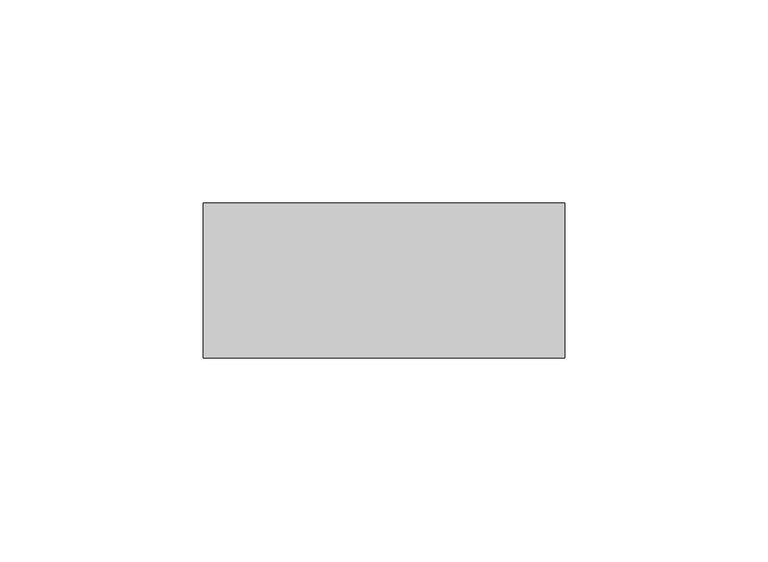
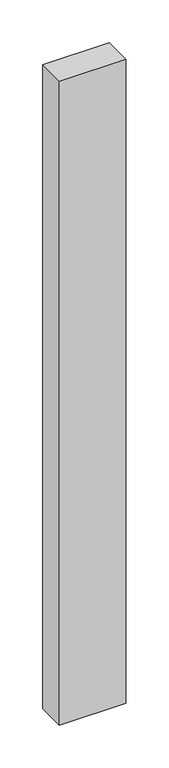
"""IFC4 building model written with IfcOpenShell, lengths in millimetres: proxy geometry."""

from ifc_helpers import new_model, si_unit, frame, origin, place, context, project, spatial, polyline, outline, extrude, source, transform, mapped, element, save


def generic_models_a576de66(model_context):
    return source(origin(), model_context, "Body", "SweptSolid", [
        extrude(outline(polyline([(37160.7710168, -23938.3529893), (37160.7710168, -23900.2529893), (37249.6710168, -23900.2529893), (37249.6710168, -23938.3529893), (37160.7710168, -23938.3529893)])), frame((0.0, 0.0, 1524.0), z_axis=(0.0, 0.0, 1.0), x_axis=(1.0, 0.0, 0.0)), (0.0, 0.0, 1.0), 914.4),
    ])


if __name__ == "__main__":
    model = new_model("IFC4")
    model_context = context("Model", 3, world=origin())
    ifc_project = project(units=[si_unit("LENGTHUNIT", "METRE", prefix="MILLI")], contexts=[model_context])
    site = spatial("IfcSite", under=ifc_project)
    building = spatial("IfcBuilding", under=site)
    placement = place(None, origin())
    generic_models_shape = generic_models_a576de66(model_context)
    element("IfcBuildingElementProxy", 1, Name="Generic Models", at=placement, inside=building, context=model_context, shape_type="MappedRepresentation", body=[
        mapped(generic_models_shape, transform((0.0, 0.0, 0.0), x_axis=(1.0, 0.0, 0.0), y_axis=(0.0, 1.0, 0.0), z_axis=(0.0, 0.0, 1.0))),
    ])
    save(model, "model.ifc")
